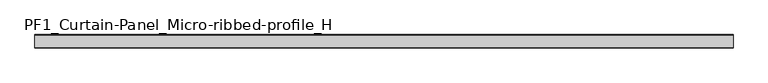
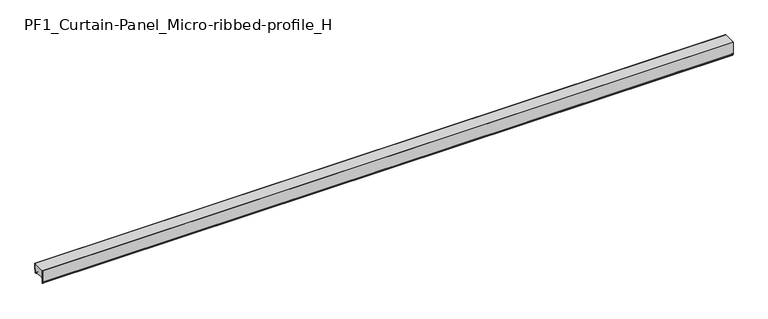
"""IFC4 building model written with IfcOpenShell, lengths in millimetres: plate geometry, PF1_Curtain-Panel_Micro-ribbed-profile_H."""

from ifc_helpers import new_model, si_unit, point, frame, frame_2d, origin, place, context, project, spatial, polyline, circle_curve, trimmed, segment, composite_curve, outline, extrude, source, transform, mapped, element, save


def pf1_curtain_panel_micro_ribbed_profile_h_7c0d7c75(model_context):
    return source(origin(), model_context, "Body", "SweptSolid", [
        extrude(outline(composite_curve([segment(polyline([(-70.0, 0.0), (-73.5, 0.0)]), True, "CONTINUOUS"), segment(trimmed(circle_curve(frame_2d((-73.5, -2.0)), 2.0), [point((-73.5, 0.0))], [point((-75.5, -2.0))], True, "CARTESIAN"), True, "CONTINUOUS"), segment(polyline([(-75.5, -2.0), (-75.5, -33.0)]), True, "CONTINUOUS"), segment(trimmed(circle_curve(frame_2d((-76.5, -33.0)), 1.0), [point((-75.5, -33.0))], [point((-77.5, -33.0))], False, "CARTESIAN"), True, "CONTINUOUS"), segment(polyline([(-77.5, -33.0), (-77.5, -26.9)]), True, "CONTINUOUS"), segment(trimmed(circle_curve(frame_2d((-78.4, -26.9)), 0.9), [point((-77.5, -26.9))], [point((-78.4, -26.0))], True, "CARTESIAN"), True, "CONTINUOUS"), segment(trimmed(circle_curve(frame_2d((-78.4, -24.4)), 1.6), [point((-78.4, -26.0))], [point((-80.0, -24.4))], False, "CARTESIAN"), True, "CONTINUOUS"), segment(polyline([(-80.0, -24.4), (-80.0, 50.0), (-79.2, 50.0), (-79.2, -24.4)]), True, "CONTINUOUS"), segment(trimmed(circle_curve(frame_2d((-78.4, -24.4)), 0.8), [point((-79.2, -24.4))], [point((-78.4, -25.2))], True, "CARTESIAN"), True, "CONTINUOUS"), segment(trimmed(circle_curve(frame_2d((-78.6133333, -26.9)), 1.7133333), [point((-78.4, -25.2))], [point((-76.9, -26.9))], False, "CARTESIAN"), True, "CONTINUOUS"), segment(polyline([(-76.9, -26.9), (-76.9, -32.8700312)]), True, "CONTINUOUS"), segment(trimmed(circle_curve(frame_2d((-76.6, -32.8700312)), 0.3), [point((-76.9, -32.8700312))], [point((-76.3, -32.8700312))], True, "CARTESIAN"), True, "CONTINUOUS"), segment(polyline([(-76.3, -32.8700312), (-76.3, -2.0)]), True, "CONTINUOUS"), segment(trimmed(circle_curve(frame_2d((-73.5, -2.0)), 2.8), [point((-76.3, -2.0))], [point((-73.5, 0.8))], False, "CARTESIAN"), True, "CONTINUOUS"), segment(polyline([(-73.5, 0.8), (-70.0, 0.8), (-70.0, 0.0)]), True, "CONTINUOUS")], self_intersect=False)), frame((-2100.0, 0.0, 0.0), z_axis=(1.0, 0.0, 0.0), x_axis=(0.0, 1.0, 0.0)), (0.0, 0.0, 1.0), 4200.0),
        extrude(outline(composite_curve([segment(polyline([(-15.878557, 0.0), (-20.0, 0.0), (-20.0, 0.8), (-15.878557, 0.8)]), True, "CONTINUOUS"), segment(trimmed(circle_curve(frame_2d((-15.878557, -2.0)), 2.8), [point((-15.878557, 0.8))], [point((-13.1503208, -1.370137))], False, "CARTESIAN"), True, "CONTINUOUS"), segment(polyline([(-13.1503208, -1.370137), (-11.728236, -7.529863)]), True, "CONTINUOUS"), segment(trimmed(circle_curve(frame_2d((-9.0, -6.9)), 2.8), [point((-11.728236, -7.529863))], [point((-6.2, -6.9))], True, "CARTESIAN"), True, "CONTINUOUS"), segment(polyline([(-6.2, -6.9), (-6.2, 8.6)]), True, "CONTINUOUS"), segment(trimmed(circle_curve(frame_2d((-3.4, 8.6)), 2.8), [point((-6.2, 8.6))], [point((-3.4, 11.4))], False, "CARTESIAN"), True, "CONTINUOUS"), segment(polyline([(-3.4, 11.4), (-2.0, 11.4)]), True, "CONTINUOUS"), segment(trimmed(circle_curve(frame_2d((-2.0, 12.6)), 1.2), [point((-2.0, 11.4))], [point((-0.8, 12.6))], True, "CARTESIAN"), True, "CONTINUOUS"), segment(polyline([(-0.8, 12.6), (-0.8, 50.0), (0.0, 50.0), (0.0, 12.6)]), True, "CONTINUOUS"), segment(trimmed(circle_curve(frame_2d((-2.0, 12.6)), 2.0), [point((0.0, 12.6))], [point((-2.0, 10.6))], False, "CARTESIAN"), True, "CONTINUOUS"), segment(polyline([(-2.0, 10.6), (-3.4, 10.6)]), True, "CONTINUOUS"), segment(trimmed(circle_curve(frame_2d((-3.4, 8.6)), 2.0), [point((-3.4, 10.6))], [point((-5.4, 8.6))], True, "CARTESIAN"), True, "CONTINUOUS"), segment(polyline([(-5.4, 8.6), (-5.4, -6.9)]), True, "CONTINUOUS"), segment(trimmed(circle_curve(frame_2d((-9.0, -6.9)), 3.6), [point((-5.4, -6.9))], [point((-12.5077322, -7.7098239))], False, "CARTESIAN"), True, "CONTINUOUS"), segment(polyline([(-12.5077322, -7.7098239), (-13.929817, -1.5500979)]), True, "CONTINUOUS"), segment(trimmed(circle_curve(frame_2d((-15.878557, -2.0)), 2.0), [point((-13.929817, -1.5500979))], [point((-15.878557, 0.0))], True, "CARTESIAN"), True, "CONTINUOUS")], self_intersect=False)), frame((-2100.0, 0.0, 0.0), z_axis=(1.0, 0.0, 0.0), x_axis=(0.0, 1.0, 0.0)), (0.0, 0.0, 1.0), 4200.0),
        extrude(outline(composite_curve([segment(polyline([(-70.0, 0.8), (-73.5, 0.8)]), True, "CONTINUOUS"), segment(trimmed(circle_curve(frame_2d((-73.5, -2.0)), 2.8), [point((-73.5, 0.8))], [point((-76.3, -2.0))], True, "CARTESIAN"), True, "CONTINUOUS"), segment(polyline([(-76.3, -2.0), (-76.3, -32.8700312)]), True, "CONTINUOUS"), segment(trimmed(circle_curve(frame_2d((-76.6, -32.8700312)), 0.3), [point((-76.3, -32.8700312))], [point((-76.9, -32.8700312))], False, "CARTESIAN"), True, "CONTINUOUS"), segment(polyline([(-76.9, -32.8700312), (-76.9, -26.9)]), True, "CONTINUOUS"), segment(trimmed(circle_curve(frame_2d((-78.6133333, -26.9)), 1.7133333), [point((-76.9, -26.9))], [point((-78.4, -25.2))], True, "CARTESIAN"), True, "CONTINUOUS"), segment(trimmed(circle_curve(frame_2d((-78.4, -24.4)), 0.8), [point((-78.4, -25.2))], [point((-79.2, -24.4))], False, "CARTESIAN"), True, "CONTINUOUS"), segment(polyline([(-79.2, -24.4), (-79.2, 50.0), (-0.8, 50.0), (-0.8, 12.6)]), True, "CONTINUOUS"), segment(trimmed(circle_curve(frame_2d((-2.0, 12.6)), 1.2), [point((-0.8, 12.6))], [point((-2.0, 11.4))], False, "CARTESIAN"), True, "CONTINUOUS"), segment(polyline([(-2.0, 11.4), (-3.4, 11.4)]), True, "CONTINUOUS"), segment(trimmed(circle_curve(frame_2d((-3.4, 8.6)), 2.8), [point((-3.4, 11.4))], [point((-6.2, 8.6))], True, "CARTESIAN"), True, "CONTINUOUS"), segment(polyline([(-6.2, 8.6), (-6.2, -6.9)]), True, "CONTINUOUS"), segment(trimmed(circle_curve(frame_2d((-9.0, -6.9)), 2.8), [point((-6.2, -6.9))], [point((-11.7282362, -7.529863))], False, "CARTESIAN"), True, "CONTINUOUS"), segment(polyline([(-11.7282362, -7.529863), (-13.1503208, -1.370137)]), True, "CONTINUOUS"), segment(trimmed(circle_curve(frame_2d((-15.878557, -2.0)), 2.8), [point((-13.1503208, -1.370137))], [point((-15.878557, 0.8))], True, "CARTESIAN"), True, "CONTINUOUS"), segment(polyline([(-15.878557, 0.8), (-20.0, 0.8), (-20.0, 0.0), (-70.0, 0.0), (-70.0, 0.8)]), True, "CONTINUOUS")], self_intersect=False)), frame((-2100.0, 0.0, 0.0), z_axis=(1.0, 0.0, 0.0), x_axis=(0.0, 1.0, 0.0)), (0.0, 0.0, 1.0), 4200.0),
    ])


if __name__ == "__main__":
    model = new_model("IFC4")
    model_context = context("Model", 3, world=origin())
    ifc_project = project(units=[si_unit("LENGTHUNIT", "METRE", prefix="MILLI")], contexts=[model_context])
    site = spatial("IfcSite", under=ifc_project)
    building = spatial("IfcBuilding", under=site)
    placement = place(None, origin())
    pf1_curtain_panel_micro_ribbed_profile_h_shape = pf1_curtain_panel_micro_ribbed_profile_h_7c0d7c75(model_context)
    element("IfcPlate", 1, ObjectType="PF1_Curtain-Panel_Micro-ribbed-profile_H", at=placement, inside=building, context=model_context, shape_type="MappedRepresentation", body=[
        mapped(pf1_curtain_panel_micro_ribbed_profile_h_shape, transform((0.0, 0.0, 0.0), x_axis=(1.0, 0.0, 0.0), y_axis=(0.0, 1.0, 0.0), z_axis=(0.0, 0.0, 1.0))),
    ])
    save(model, "model.ifc")
